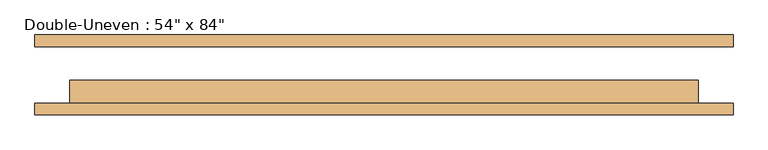
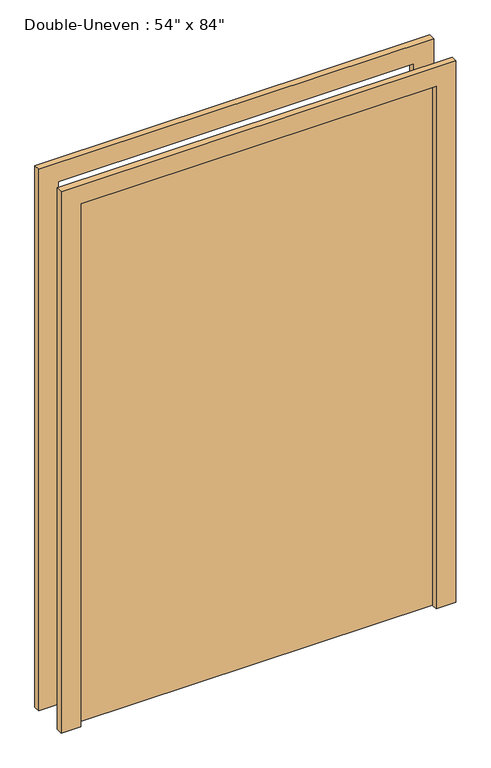
"""IFC4 building model written with IfcOpenShell, lengths in millimetres: door geometry."""

from ifc_helpers import new_model, si_unit, frame, origin, origin_with_axes, place, context, project, spatial, polyline, outline, extrude, source, transform, mapped, element, save


def door_2ffc9c59(model_context):
    return source(origin(), model_context, "Body", "SweptSolid", [
        extrude(outline(polyline([(101.6, -61.9125), (-1270.0, -61.9125), (-1270.0, -11.1125), (101.6, -11.1125), (101.6, -61.9125)])), origin_with_axes(), (0.0, 0.0, 1.0), 2133.6),
        extrude(outline(polyline([(2133.6, -1270.0), (2133.6, 101.6), (0.0, 101.6), (0.0, 177.8), (2209.8, 177.8), (2209.8, -1346.2), (0.0, -1346.2), (0.0, -1270.0), (2133.6, -1270.0)])), frame((0.0, 61.9125, 0.0), z_axis=(0.0, 1.0, 0.0), x_axis=(0.0, 0.0, 1.0)), (0.0, 0.0, 1.0), 25.4),
        extrude(outline(polyline([(2133.6, -1270.0), (2133.6, 101.6), (0.0, 101.6), (0.0, 177.8), (2209.8, 177.8), (2209.8, -1346.2), (0.0, -1346.2), (0.0, -1270.0), (2133.6, -1270.0)])), frame((0.0, -87.3125, 0.0), z_axis=(0.0, 1.0, 0.0), x_axis=(0.0, 0.0, 1.0)), (0.0, 0.0, 1.0), 25.4),
    ])


if __name__ == "__main__":
    model = new_model("IFC4")
    model_context = context("Model", 3, world=origin())
    ifc_project = project(units=[si_unit("LENGTHUNIT", "METRE", prefix="MILLI")], contexts=[model_context])
    site = spatial("IfcSite", under=ifc_project)
    building = spatial("IfcBuilding", under=site)
    placement = place(None, origin())
    door_shape = door_2ffc9c59(model_context)
    element("IfcDoor", 1, ObjectType="Double-Uneven : 54\" x 84\"", at=placement, inside=building, context=model_context, shape_type="MappedRepresentation", body=[
        mapped(door_shape, transform((0.0, 0.0, 0.0), x_axis=(1.0, 0.0, 0.0), y_axis=(0.0, 1.0, 0.0), z_axis=(0.0, 0.0, 1.0))),
    ])
    save(model, "model.ifc")
